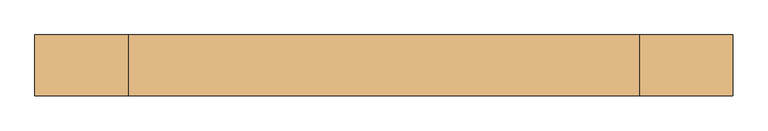
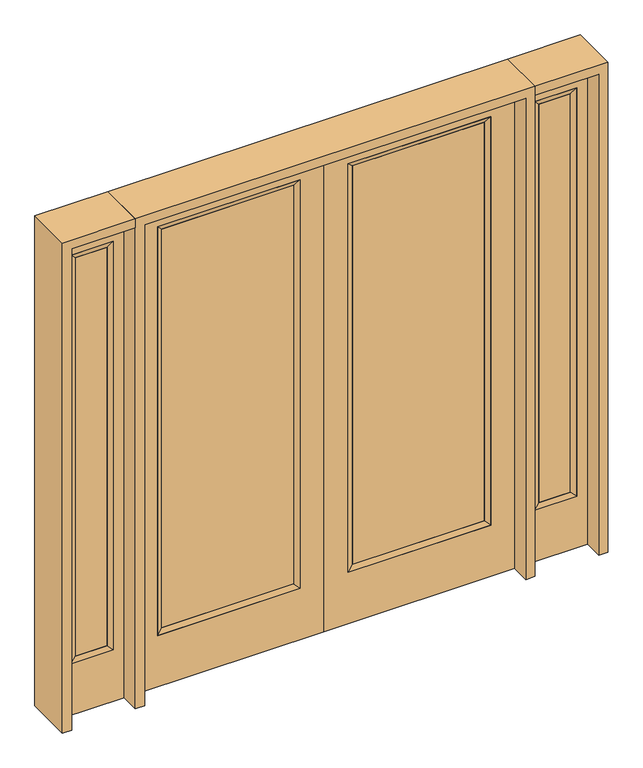
"""IFC4 building model written with IfcOpenShell, lengths in millimetres: door geometry."""

from ifc_helpers import new_model, si_unit, frame, origin, place, context, project, spatial, polyline, outline, extrude, faceted_brep, source, transform, mapped, element, save


def door_4e9f995b(model_context):
    return source(origin(), model_context, "Body", "SolidModel", [
        extrude(outline(polyline([(140.8176, -12.7039749), (140.8176, 14.2875), (773.5824, 14.2875), (773.5824, -12.7039749), (140.8176, -12.7039749)])), frame((0.0, 0.0, 285.75), z_axis=(0.0, 0.0, 1.0), x_axis=(1.0, 0.0, 0.0)), (0.0, 0.0, 1.0), 2019.3),
        faceted_brep([(140.8176, 14.2875, 2305.05), (140.8176, 14.2875, 285.75), (115.4176, 22.225, 260.35), (115.4176, 22.225, 2330.45), (115.4176, -22.225, 260.35), (115.4176, -22.225, 2330.45), (773.5824, 14.2875, 285.75), (798.9824, 22.225, 260.35), (140.8176, -12.7039749, 2305.05), (140.8176, -12.7039749, 285.75), (773.5824, -12.7039749, 285.75), (798.9824, -22.225, 260.35), (773.5824, 14.2875, 2305.05), (798.9824, 22.225, 2330.45), (773.5824, -12.7039749, 2305.05), (798.9824, -22.225, 2330.45)], [[[0, 1, 2, 3]], [[3, 2, 4, 5]], [[1, 6, 7, 2]], [[8, 9, 1, 0]], [[9, 10, 6, 1]], [[5, 4, 9, 8]], [[4, 11, 10, 9]], [[2, 7, 11, 4]], [[6, 12, 13, 7]], [[10, 14, 12, 6]], [[11, 15, 14, 10]], [[7, 13, 15, 11]], [[12, 0, 3, 13]], [[14, 8, 0, 12]], [[15, 5, 8, 14]], [[13, 3, 5, 15]]]),
        extrude(outline(polyline([(0.0, 914.4), (2438.4, 914.4), (2438.4, 0.0), (0.0, 0.0), (0.0, 914.4)]), holes=[polyline([(260.35, 798.9824), (260.35, 115.4176), (2330.45, 115.4176), (2330.45, 798.9824), (260.35, 798.9824)])]), frame((0.0, -22.225, 0.0), z_axis=(0.0, 1.0, 0.0), x_axis=(0.0, 0.0, 1.0)), (0.0, 0.0, 1.0), 44.45),
        extrude(outline(polyline([(-140.8176, -12.7039749), (-773.5824, -12.7039749), (-773.5824, 14.2875), (-140.8176, 14.2875), (-140.8176, -12.7039749)])), frame((0.0, 0.0, 285.75), z_axis=(0.0, 0.0, 1.0), x_axis=(1.0, 0.0, 0.0)), (0.0, 0.0, 1.0), 2019.3),
        faceted_brep([(-140.8176, 14.2875, 2305.05), (-115.4176, 22.225, 2330.45), (-115.4176, 22.225, 260.35), (-140.8176, 14.2875, 285.75), (-115.4176, -22.225, 2330.45), (-115.4176, -22.225, 260.35), (-798.9824, 22.225, 260.35), (-773.5824, 14.2875, 285.75), (-140.8176, -12.7039749, 2305.05), (-140.8176, -12.7039749, 285.75), (-773.5824, -12.7039749, 285.75), (-798.9824, -22.225, 260.35), (-798.9824, 22.225, 2330.45), (-773.5824, 14.2875, 2305.05), (-773.5824, -12.7039749, 2305.05), (-798.9824, -22.225, 2330.45)], [[[0, 1, 2, 3]], [[1, 4, 5, 2]], [[3, 2, 6, 7]], [[8, 0, 3, 9]], [[9, 3, 7, 10]], [[4, 8, 9, 5]], [[5, 9, 10, 11]], [[2, 5, 11, 6]], [[7, 6, 12, 13]], [[10, 7, 13, 14]], [[11, 10, 14, 15]], [[6, 11, 15, 12]], [[13, 12, 1, 0]], [[14, 13, 0, 8]], [[15, 14, 8, 4]], [[12, 15, 4, 1]]]),
        extrude(outline(polyline([(0.0, -914.4), (0.0, 0.0), (2438.4, 0.0), (2438.4, -914.4), (0.0, -914.4)]), holes=[polyline([(260.35, -798.9824), (2330.45, -798.9824), (2330.45, -115.4176), (260.35, -115.4176), (260.35, -798.9824)])]), frame((0.0, -22.225, 0.0), z_axis=(0.0, 1.0, 0.0), x_axis=(0.0, 0.0, 1.0)), (0.0, 0.0, 1.0), 44.45),
        faceted_brep([(1009.65, 20.6375, 2330.45), (1009.65, 20.6375, 260.35), (1009.65, -20.6375, 260.35), (1009.65, -20.6375, 2330.45), (1035.05, -12.7, 285.75), (1035.05, -12.7, 2305.05), (1212.85, 20.6375, 260.35), (1212.85, -20.6375, 260.35), (1035.05, 12.7, 2305.05), (1035.05, 12.7, 285.75), (1187.45, 12.7, 285.75), (1187.45, -12.7, 285.75), (1212.85, 20.6375, 2330.45), (1212.85, -20.6375, 2330.45), (1187.45, 12.7, 2305.05), (1187.45, -12.7, 2305.05)], [[[0, 1, 2, 3]], [[3, 2, 4, 5]], [[1, 6, 7, 2]], [[8, 9, 1, 0]], [[9, 10, 6, 1]], [[5, 4, 9, 8]], [[4, 11, 10, 9]], [[2, 7, 11, 4]], [[6, 12, 13, 7]], [[10, 14, 12, 6]], [[11, 15, 14, 10]], [[7, 13, 15, 11]], [[12, 0, 3, 13]], [[14, 8, 0, 12]], [[15, 5, 8, 14]], [[13, 3, 5, 15]]]),
        extrude(outline(polyline([(0.0, 1263.65), (2438.4, 1263.65), (2438.4, 958.85), (0.0, 958.85), (0.0, 1263.65)]), holes=[polyline([(2330.45, 1009.65), (2330.45, 1212.85), (260.35, 1212.85), (260.35, 1009.65), (2330.45, 1009.65)])]), frame((0.0, -20.6375, 0.0), z_axis=(0.0, 1.0, 0.0), x_axis=(0.0, 0.0, 1.0)), (0.0, 0.0, 1.0), 41.275),
        extrude(outline(polyline([(1035.05, -12.7), (1035.05, 12.7), (1187.45, 12.7), (1187.45, -12.7), (1035.05, -12.7)])), frame((0.0, 0.0, 285.75), z_axis=(0.0, 0.0, 1.0), x_axis=(1.0, 0.0, 0.0)), (0.0, 0.0, 1.0), 2019.3),
        faceted_brep([(-1009.65, 20.6375, 2330.45), (-1009.65, -20.6375, 2330.45), (-1009.65, -20.6375, 260.35), (-1009.65, 20.6375, 260.35), (-1035.05, -12.7, 2305.05), (-1035.05, -12.7, 285.75), (-1212.85, -20.6375, 260.35), (-1212.85, 20.6375, 260.35), (-1035.05, 12.7, 2305.05), (-1035.05, 12.7, 285.75), (-1187.45, 12.7, 285.75), (-1187.45, -12.7, 285.75), (-1212.85, -20.6375, 2330.45), (-1212.85, 20.6375, 2330.45), (-1187.45, 12.7, 2305.05), (-1187.45, -12.7, 2305.05)], [[[0, 1, 2, 3]], [[1, 4, 5, 2]], [[3, 2, 6, 7]], [[8, 0, 3, 9]], [[9, 3, 7, 10]], [[4, 8, 9, 5]], [[5, 9, 10, 11]], [[2, 5, 11, 6]], [[7, 6, 12, 13]], [[10, 7, 13, 14]], [[11, 10, 14, 15]], [[6, 11, 15, 12]], [[13, 12, 1, 0]], [[14, 13, 0, 8]], [[15, 14, 8, 4]], [[12, 15, 4, 1]]]),
        extrude(outline(polyline([(0.0, -1263.65), (0.0, -958.85), (2438.4, -958.85), (2438.4, -1263.65), (0.0, -1263.65)]), holes=[polyline([(2330.45, -1009.65), (260.35, -1009.65), (260.35, -1212.85), (2330.45, -1212.85), (2330.45, -1009.65)])]), frame((0.0, -20.6375, 0.0), z_axis=(0.0, 1.0, 0.0), x_axis=(0.0, 0.0, 1.0)), (0.0, 0.0, 1.0), 41.275),
        extrude(outline(polyline([(-1035.05, -12.7), (-1187.45, -12.7), (-1187.45, 12.7), (-1035.05, 12.7), (-1035.05, -12.7)])), frame((0.0, 0.0, 285.75), z_axis=(0.0, 0.0, 1.0), x_axis=(1.0, 0.0, 0.0)), (0.0, 0.0, 1.0), 2019.3),
        extrude(outline(polyline([(2438.4, -958.85), (2482.85, -958.85), (2482.85, -1308.1), (0.0, -1308.1), (0.0, -1263.65), (2438.4, -1263.65), (2438.4, -958.85)])), frame((0.0, -114.3, 0.0), z_axis=(0.0, 1.0, 0.0), x_axis=(0.0, 0.0, 1.0)), (0.0, 0.0, 1.0), 228.6),
        extrude(outline(polyline([(2482.85, -958.85), (0.0, -958.85), (0.0, -914.4), (2438.4, -914.4), (2438.4, 914.4), (0.0, 914.4), (0.0, 958.85), (2482.85, 958.85), (2482.85, -958.85)])), frame((0.0, -114.3, 0.0), z_axis=(0.0, 1.0, 0.0), x_axis=(0.0, 0.0, 1.0)), (0.0, 0.0, 1.0), 228.6),
        extrude(outline(polyline([(0.0, 1263.65), (0.0, 1308.1), (2482.85, 1308.1), (2482.85, 958.85), (2438.4, 958.85), (2438.4, 1263.65), (0.0, 1263.65)])), frame((0.0, -114.3, 0.0), z_axis=(0.0, 1.0, 0.0), x_axis=(0.0, 0.0, 1.0)), (0.0, 0.0, 1.0), 228.6),
    ])


if __name__ == "__main__":
    model = new_model("IFC4")
    model_context = context("Model", 3, world=origin())
    ifc_project = project(units=[si_unit("LENGTHUNIT", "METRE", prefix="MILLI")], contexts=[model_context])
    site = spatial("IfcSite", under=ifc_project)
    building = spatial("IfcBuilding", under=site)
    placement = place(None, origin())
    door_shape = door_4e9f995b(model_context)
    element("IfcDoor", 1, at=placement, inside=building, context=model_context, shape_type="MappedRepresentation", body=[
        mapped(door_shape, transform((0.0, 0.0, 0.0), x_axis=(1.0, 0.0, 0.0), y_axis=(0.0, 1.0, 0.0), z_axis=(0.0, 0.0, 1.0))),
    ])
    save(model, "model.ifc")
